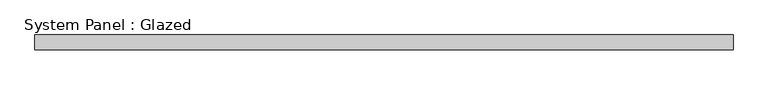
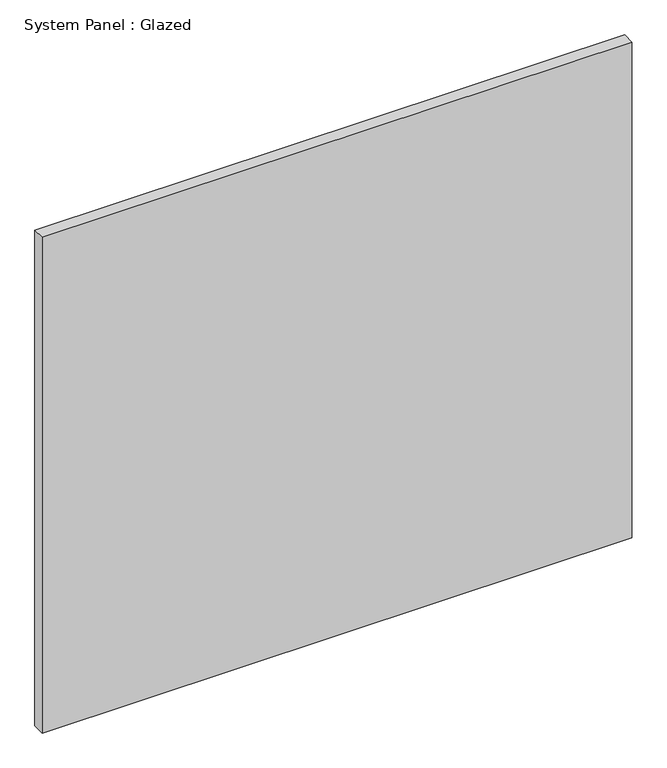
"""IFC4 building model written with IfcOpenShell, lengths in millimetres: plate geometry, System Panel : Glazed."""

from ifc_helpers import new_model, si_unit, origin, origin_with_axes, place, context, project, spatial, polyline, outline, extrude, source, transform, mapped, element, save


def system_panel_glazed_b6091031(model_context):
    return source(origin(), model_context, "Body", "SweptSolid", [
        extrude(outline(polyline([(600.0976882, -12.7), (-600.0976882, -12.7), (-600.0976882, 12.7), (600.0976882, 12.7), (600.0976882, -12.7)])), origin_with_axes(), (0.0, 0.0, 1.0), 1066.8),
    ])


if __name__ == "__main__":
    model = new_model("IFC4")
    model_context = context("Model", 3, world=origin())
    ifc_project = project(units=[si_unit("LENGTHUNIT", "METRE", prefix="MILLI")], contexts=[model_context])
    site = spatial("IfcSite", under=ifc_project)
    building = spatial("IfcBuilding", under=site)
    placement = place(None, origin())
    system_panel_glazed_shape = system_panel_glazed_b6091031(model_context)
    element("IfcPlate", 1, ObjectType="System Panel : Glazed", at=placement, inside=building, context=model_context, shape_type="MappedRepresentation", body=[
        mapped(system_panel_glazed_shape, transform((0.0, 0.0, 0.0), x_axis=(1.0, 0.0, 0.0), y_axis=(0.0, 1.0, 0.0), z_axis=(0.0, 0.0, 1.0))),
    ])
    save(model, "model.ifc")
